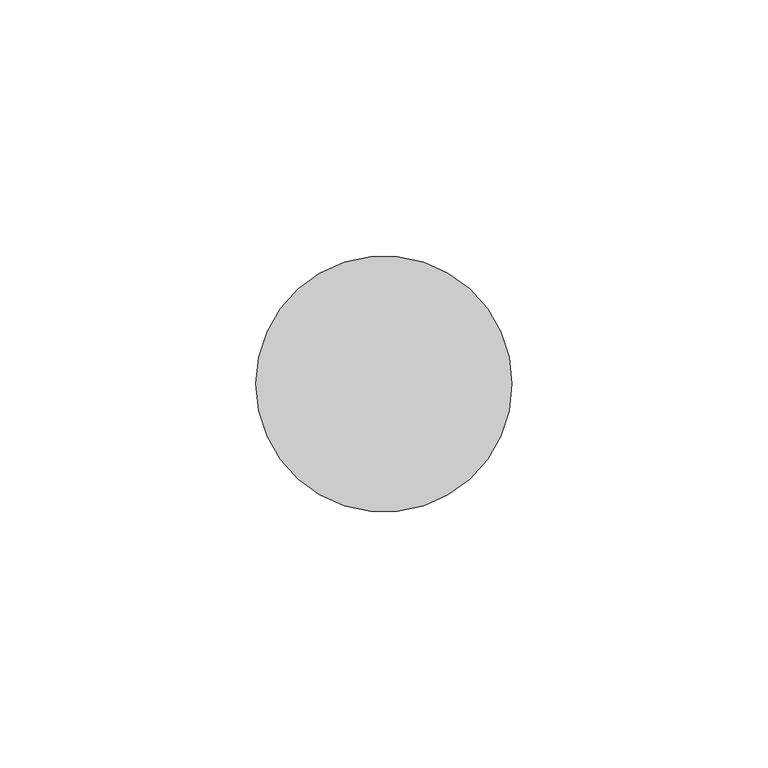
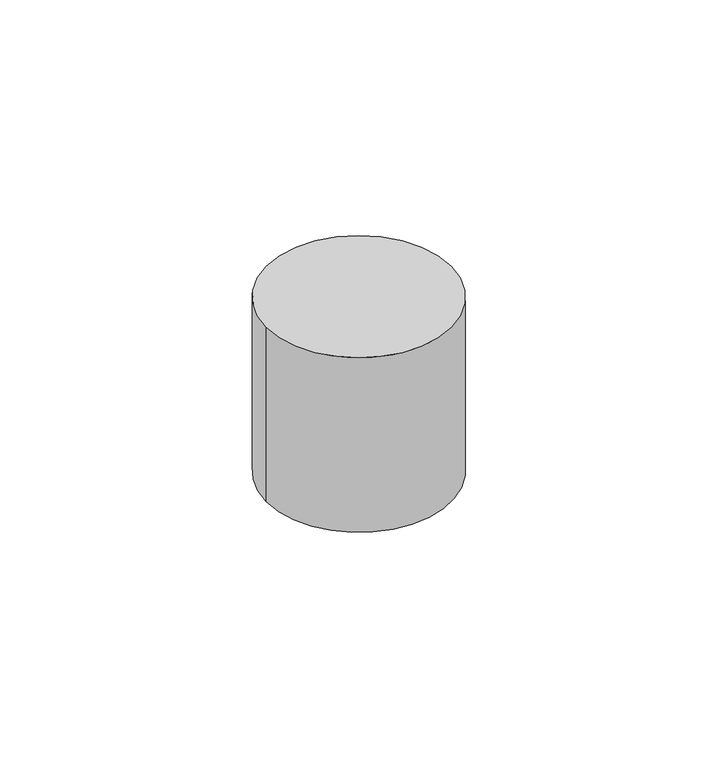
"""IFC4 building model written with IfcOpenShell, lengths in millimetres: proxy geometry."""

from ifc_helpers import new_model, si_unit, point, origin, origin_with_axes, origin_2d, place, context, project, spatial, circle_curve, trimmed, segment, composite_curve, outline, extrude, source, transform, mapped, element, save


def generic_models_88755a49(model_context):
    return source(origin(), model_context, "Body", "SweptSolid", [
        extrude(outline(composite_curve([segment(trimmed(circle_curve(origin_2d(), 25.0), [point((-25.0, 0.0))], [point((25.0, 0.0))], False, "CARTESIAN"), True, "CONTINUOUS"), segment(trimmed(circle_curve(origin_2d(), 25.0), [point((25.0, 0.0))], [point((-25.0, 0.0))], False, "CARTESIAN"), True, "CONTINUOUS")], self_intersect=False)), origin_with_axes(), (0.0, 0.0, 1.0), 50.0),
    ])


if __name__ == "__main__":
    model = new_model("IFC4")
    model_context = context("Model", 3, world=origin())
    ifc_project = project(units=[si_unit("LENGTHUNIT", "METRE", prefix="MILLI")], contexts=[model_context])
    site = spatial("IfcSite", under=ifc_project)
    building = spatial("IfcBuilding", under=site)
    placement = place(None, origin())
    generic_models_shape = generic_models_88755a49(model_context)
    element("IfcBuildingElementProxy", 1, Name="Generic Models", at=placement, inside=building, context=model_context, shape_type="MappedRepresentation", body=[
        mapped(generic_models_shape, transform((0.0, 0.0, 0.0), x_axis=(1.0, 0.0, 0.0), y_axis=(0.0, 1.0, 0.0), z_axis=(0.0, 0.0, 1.0))),
    ])
    save(model, "model.ifc")
